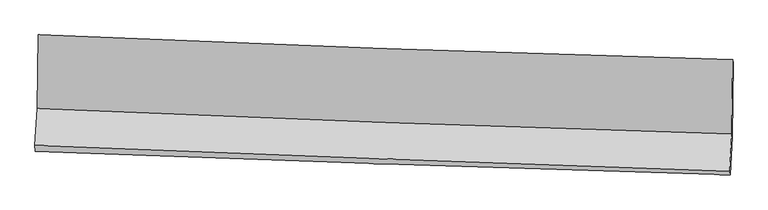
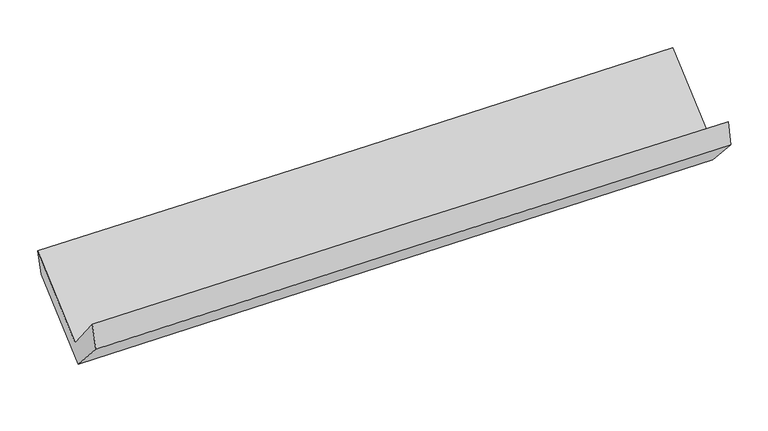
"""IFC4 building model written with IfcOpenShell, lengths in millimetres: proxy geometry."""

import ifcopenshell
import ifcopenshell.guid

model = None  # the IFC model being written
_history = None  # IfcOwnerHistory: only IFC2X3 demands one
_inside = {}  # id of a spatial element -> (the spatial element, [elements in it])
_under = {}  # id of a project, library or spatial element -> (it, [spatial elements below it])
_declared = {}  # id of a project -> (the project, [libraries it declares])
_typed = {}  # id of a type object -> (the type object, [elements of that type])
_made_of = {}  # id of a material, layer set ... -> (it, [elements and type objects made of it])


def new_model(schema):
    """Start an empty IFC model of exactly this schema.

    Asked for "IFC4X3", IfcOpenShell would pick the latest addendum, in which some entities
    have other attributes; the version numbers below select the first issue.
    IFC2X3 requires an IfcOwnerHistory on every rooted entity: one is made here for all.
    """
    global model, _history
    if schema == "IFC4X3":
        model = ifcopenshell.file(schema_version=(4, 3, 0, 0))
    else:
        model = ifcopenshell.file(schema=schema)
    _inside.clear()
    _under.clear()
    _declared.clear()
    _typed.clear()
    _made_of.clear()
    _history = None
    if model.schema == "IFC2X3":
        org = make("IfcOrganization", Name="unknown")
        user = make(
            "IfcPersonAndOrganization",
            ThePerson=make("IfcPerson", FamilyName="unknown"),
            TheOrganization=org,
        )
        app = make(
            "IfcApplication",
            ApplicationDeveloper=org,
            Version="unknown",
            ApplicationFullName="unknown",
            ApplicationIdentifier="unknown",
        )
        _history = make(
            "IfcOwnerHistory",
            OwningUser=user,
            OwningApplication=app,
            ChangeAction="ADDED",
            CreationDate=0,
        )
    return model


def make(cls, **values):
    """One entity of the class cls with the attributes given. An attribute that is None is left unset."""
    return model.create_entity(
        cls, **{name: value for name, value in values.items() if value is not None}
    )


def rooted(cls, **values):
    """An entity with a GlobalId (a new one), such as an element, a storey or a relation."""
    return make(cls, GlobalId=ifcopenshell.guid.new(), OwnerHistory=_history, **values)


def si_unit(unit_type, name, prefix=None):
    """IfcSIUnit, for example si_unit("LENGTHUNIT", "METRE", prefix="MILLI")."""
    return make("IfcSIUnit", UnitType=unit_type, Prefix=prefix, Name=name)


def assignment(units):
    """IfcUnitAssignment: the units of a project."""
    return None if units is None else make("IfcUnitAssignment", Units=units)


def point(xyz):
    """IfcCartesianPoint."""
    return None if xyz is None else make("IfcCartesianPoint", Coordinates=xyz)


def direction(xyz):
    """IfcDirection."""
    return None if xyz is None else make("IfcDirection", DirectionRatios=xyz)


def frame(location, z_axis=None, x_axis=None):
    """IfcAxis2Placement3D, a coordinate frame: its origin and axes. An axis left out is left unset."""
    return make(
        "IfcAxis2Placement3D",
        Location=point(location),
        Axis=direction(z_axis),
        RefDirection=direction(x_axis),
    )


def origin():
    """The frame at (0, 0, 0) with its axes left unset."""
    return frame((0.0, 0.0, 0.0))


def place(relative_to, where):
    """IfcLocalPlacement: puts the frame where relative to a parent placement (None: the world)."""
    return make(
        "IfcLocalPlacement", PlacementRelTo=relative_to, RelativePlacement=where
    )


def context(
    kind, dimensions, precision=None, world=None, true_north=None, identifier=None
):
    """IfcGeometricRepresentationContext, for example the 3D "Model" context."""
    return make(
        "IfcGeometricRepresentationContext",
        ContextIdentifier=identifier,
        ContextType=kind,
        CoordinateSpaceDimension=dimensions,
        Precision=precision,
        WorldCoordinateSystem=world,
        TrueNorth=true_north,
    )


def project(units=None, contexts=None):
    """IfcProject with its units and contexts."""
    return rooted(
        "IfcProject",
        Name="project",
        RepresentationContexts=contexts,
        UnitsInContext=assignment(units),
    )


def spatial(cls, under=None, at=None, **own):
    """A site, building, storey or space (cls), placed at a placement, below another one or the project."""
    s = rooted(cls, ObjectPlacement=at, **own)
    if under is not None:
        _under.setdefault(under.id(), (under, []))[1].append(s)
    return s


def shape(context_of_items, identifier, shape_type, items):
    """IfcShapeRepresentation: the items that make up one representation, for example the "Body"."""
    return make(
        "IfcShapeRepresentation",
        ContextOfItems=context_of_items,
        RepresentationIdentifier=identifier,
        RepresentationType=shape_type,
        Items=items,
    )


def source(mapping_origin, context_of_items, identifier, shape_type, items):
    """IfcRepresentationMap: a shape defined once, which mapped items show again and again."""
    return make(
        "IfcRepresentationMap",
        MappingOrigin=mapping_origin,
        MappedRepresentation=shape(context_of_items, identifier, shape_type, items),
    )


def transform(
    local_origin,
    x_axis=None,
    y_axis=None,
    z_axis=None,
    scale=None,
    scale2=None,
    scale3=None,
    uniform=True,
):
    """IfcCartesianTransformationOperator3D, or its non-uniform kind. x_axis, y_axis, z_axis: its Axis1, 2, 3."""
    if uniform:
        return make(
            "IfcCartesianTransformationOperator3D",
            Axis1=direction(x_axis),
            Axis2=direction(y_axis),
            LocalOrigin=point(local_origin),
            Scale=scale,
            Axis3=direction(z_axis),
        )
    return make(
        "IfcCartesianTransformationOperator3DnonUniform",
        Axis1=direction(x_axis),
        Axis2=direction(y_axis),
        LocalOrigin=point(local_origin),
        Scale=scale,
        Axis3=direction(z_axis),
        Scale2=scale2,
        Scale3=scale3,
    )


def mapped(mapping_source, mapping_target):
    """IfcMappedItem: shows the shape of a source again, moved by a transform."""
    return make(
        "IfcMappedItem", MappingSource=mapping_source, MappingTarget=mapping_target
    )


def made_of(thing, what):
    """Note that an element or type object is made of a material, layer set ...; save() writes the relation."""
    if what is not None:
        _made_of.setdefault(what.id(), (what, []))[1].append(thing)
    return thing


def element(
    cls,
    number,
    at=None,
    inside=None,
    cuts=None,
    type_object=None,
    material=None,
    context=None,
    identifier="Body",
    shape_type=None,
    held_by="IfcProductDefinitionShape",
    body=None,
    shapes=None,
    **own,
):
    """One element of the class cls, such as IfcWall. Its Tag is "e" and its number.

    at: its placement. inside: the storey or other place that contains it. cuts: it is an
    opening in that element (IfcRelVoidsElement). A single representation is given by context,
    identifier, shape_type and body (its items); several are given by shapes. held_by: the class
    of the entity that holds the representations. save() writes the other relations.
    """
    e = rooted(cls, Tag="e%d" % number, ObjectPlacement=at, **own)
    if body is not None:
        shapes = [shape(context, identifier, shape_type, body)]
    if shapes is not None:
        e.Representation = make(held_by, Representations=shapes)
    if inside is not None:
        _inside.setdefault(inside.id(), (inside, []))[1].append(e)
    if cuts is not None:
        rooted(
            "IfcRelVoidsElement", RelatingBuildingElement=cuts, RelatedOpeningElement=e
        )
    if type_object is not None:
        _typed.setdefault(type_object.id(), (type_object, []))[1].append(e)
    return made_of(e, material)


def aggregate(whole, parts):
    """IfcRelAggregates: a whole, such as a stair, and the parts it consists of."""
    return rooted("IfcRelAggregates", RelatingObject=whole, RelatedObjects=parts)


def save(model, path):
    """Write the relations noted so far, then the file.

    IfcRelAggregates (storeys below a building ...), IfcRelContainedInSpatialStructure (elements
    in a storey), IfcRelDefinesByType, IfcRelAssociatesMaterial and IfcRelDeclares: one each for
    every whole, place, type object, material and project.
    """
    for whole, parts in _under.values():
        aggregate(whole, parts)
    for where, things in _inside.values():
        rooted(
            "IfcRelContainedInSpatialStructure",
            RelatedElements=things,
            RelatingStructure=where,
        )
    for kind, things in _typed.values():
        rooted("IfcRelDefinesByType", RelatedObjects=things, RelatingType=kind)
    for what, things in _made_of.values():
        rooted("IfcRelAssociatesMaterial", RelatedObjects=things, RelatingMaterial=what)
    for by, libraries in _declared.values():
        rooted("IfcRelDeclares", RelatingContext=by, RelatedDefinitions=libraries)
    model.write(path)


def plane_surface(at):
    """IfcPlane: the flat surface through the origin of the frame at, square to its z axis."""
    return make("IfcPlane", Position=at)


def spline_curve(degree, points, multiplicities, knots, weights=None):
    """IfcBSplineCurveWithKnots; with weights, IfcRationalBSplineCurveWithKnots."""
    own = dict(
        Degree=degree,
        ControlPointsList=[point(p) for p in points],
        CurveForm="UNSPECIFIED",
        ClosedCurve=False,
        SelfIntersect=False,
        KnotMultiplicities=multiplicities,
        Knots=knots,
        KnotSpec="UNSPECIFIED",
    )
    if weights is None:
        return make("IfcBSplineCurveWithKnots", **own)
    return make("IfcRationalBSplineCurveWithKnots", WeightsData=weights, **own)


def spline_surface(u_degree, v_degree, points, u_multiplicities, v_multiplicities, u_knots, v_knots, weights=None):
    """IfcBSplineSurfaceWithKnots; with weights, IfcRationalBSplineSurfaceWithKnots. points: one row for each step in u."""
    own = dict(
        UDegree=u_degree,
        VDegree=v_degree,
        ControlPointsList=[[point(p) for p in row] for row in points],
        SurfaceForm="UNSPECIFIED",
        UClosed=False,
        VClosed=False,
        SelfIntersect=False,
        UMultiplicities=u_multiplicities,
        VMultiplicities=v_multiplicities,
        UKnots=u_knots,
        VKnots=v_knots,
        KnotSpec="UNSPECIFIED",
    )
    if weights is None:
        return make("IfcBSplineSurfaceWithKnots", **own)
    return make("IfcRationalBSplineSurfaceWithKnots", WeightsData=weights, **own)


def advanced_brep(points, edges, surfaces, faces):
    """IfcAdvancedBrep: a solid bounded by faces that lie on surfaces and meet in shared edges.

    An edge is (start, end): straight between two places in points (the first is 0);
    or (start, end, curve); or (start, end, curve, False) where it runs against its curve.
    A face is (place in surfaces, loops), or (place, loops, False) where it looks against
    its surface's normal. A loop lists edges by number (the first is 1), with a minus sign
    where the edge is run from its end to its start. The first loop is the outer one.
    """
    corners = [point(p) for p in points]
    vertices = [make("IfcVertexPoint", VertexGeometry=c) for c in corners]
    made = []
    for start, end, *more in edges:
        made.append(
            make(
                "IfcEdgeCurve",
                EdgeStart=vertices[start],
                EdgeEnd=vertices[end],
                EdgeGeometry=more[0] if more else make("IfcPolyline", Points=[corners[start], corners[end]]),
                SameSense=more[1] if len(more) > 1 else True,
            )
        )
    hull = []
    for where, loops, *sense in faces:
        bounds = []
        for j, loop in enumerate(loops):
            ring = [make("IfcOrientedEdge", EdgeElement=made[abs(k) - 1], Orientation=k > 0) for k in loop]
            bounds.append(
                make(
                    "IfcFaceOuterBound" if j == 0 else "IfcFaceBound",
                    Bound=make("IfcEdgeLoop", EdgeList=ring),
                    Orientation=True,
                )
            )
        hull.append(make("IfcAdvancedFace", Bounds=bounds, FaceSurface=surfaces[where], SameSense=sense[0] if sense else True))
    return make("IfcAdvancedBrep", Outer=make("IfcClosedShell", CfsFaces=hull))


def generic_models_58768607(model_context):
    return source(origin(), model_context, "Body", "AdvancedBrep", [
        advanced_brep(
        [(-2381.7971527, -1124.075235, 2193.0231515), (-2387.96921, -1629.4580358, 1757.9076518), (2377.1235037, -1805.2162277, 1837.3993766), (2381.7975035, -1294.4649734, 2270.5567904), (-2403.1913248, -1885.3127118, 2068.7910627), (2361.8170745, -2063.9109047, 2147.3387575), (-2400.4349658, -1927.0142058, 1889.5025506), (2365.3680852, -2086.8401885, 1974.0380034), (-2385.8849403, -1670.8863403, 1608.5103553), (2380.1497745, -1826.1345312, 1688.0239044), (-2379.2645114, -1164.0727132, 2025.9382681), (2385.0949356, -1319.0828323, 2105.5656596)],
        [
            (0, 1),
            (1, 2, spline_curve(3, [(-2387.96921, -1629.4580358, 1757.9076518), (-1594.050015983, -1664.498653045, 1774.296017501), (-800.003654053, -1696.665350176, 1789.114456405), (788.360578307, -1755.251538616, 1815.611765865), (1582.678454121, -1781.670905157, 1827.290568784), (2377.1235037, -1805.2162277, 1837.3993766)], [4, 2, 4], [0.0, 7.8217210959801005, 15.64361131944911])),
            (2, 3),
            (3, 0, spline_curve(3, [(2381.7975035, -1294.4649734, 2270.5567904), (1587.657777495, -1271.45509392, 2258.936961563), (793.61740242, -1245.750826686, 2246.665833788), (-794.247478566, -1188.95413076, 2220.821259225), (-1588.07198899, -1157.861818384, 2207.247840903), (-2381.7971527, -1124.075235, 2193.0231515)], [4, 2, 4], [0.0, 7.82189022346901, 15.64361131944911])),
            (1, 4),
            (4, 5, spline_curve(3, [(-2403.1913248, -1885.3127118, 2068.7910627), (-1609.119781775, -1915.699323462, 2084.624116339), (-815.004270529, -1945.775654509, 2099.086228372), (773.331860879, -2005.308398716, 2125.268852696), (1567.552482651, -2034.764798873, 2136.98930556), (2361.8170745, -2063.9109047, 2147.3387575)], [4, 2, 4], [0.0, 7.823109375317783, 15.646387908142959])),
            (5, 2),
            (4, 6),
            (6, 7, spline_curve(3, [(-2400.4349658, -1927.0142058, 1889.5025506), (-1606.276802021, -1956.456731598, 1905.74727915), (-812.051760422, -1984.49669743, 1920.914200049), (776.549253835, -2037.772085745, 1949.092730997), (1570.925228962, -2063.0074474, 1962.104294292), (2365.3680852, -2086.8401885, 1974.0380034)], [4, 2, 4], [0.0, 7.823265953588302, 15.646701068069657])),
            (7, 5),
            (6, 8),
            (8, 9, spline_curve(3, [(-2385.8849403, -1670.8863403, 1608.5103553), (-1591.64718932, -1698.845344052, 1623.127601779), (-797.363048433, -1725.762066621, 1637.062289926), (791.31518768, -1777.511508657, 1663.566835622), (1585.709285275, -1802.344183106, 1676.136663909), (2380.1497745, -1826.1345312, 1688.0239044)], [4, 2, 4], [0.0, 7.823464859977496, 15.647098885148957])),
            (9, 7),
            (8, 10),
            (10, 11, spline_curve(3, [(-2379.2645114, -1164.0727132, 2025.9382681), (-1585.305518383, -1191.9610935, 2040.599988058), (-791.300360995, -1218.822665043, 2054.566399518), (796.819452606, -1270.492749177, 2081.108893641), (1590.934110933, -1295.301217457, 2093.68494575), (2385.0949356, -1319.0828323, 2105.5656596)], [4, 2, 4], [0.0, 7.822081203027796, 15.644331541331024])),
            (11, 9),
            (10, 0),
            (3, 11),
        ],
        [
            spline_surface(3, 3, [[(-2381.7971527, -1124.075235, 2193.0231515), (-1588.071989044, -1157.861818464, 2207.247840858), (-794.247478618, -1188.954130744, 2220.821259287), (793.617402473, -1245.750826701, 2246.665833726), (1587.657777472, -1271.455093941, 2258.936961649), (2381.7975035, -1294.4649734, 2270.5567904)], [(-2383.854505143, -1292.536168593, 2047.984651602), (-1590.064664743, -1326.740763296, 2062.930566452), (-796.166203784, -1358.19120394, 2076.918991625), (791.865127746, -1415.584397322, 2102.981144415), (1585.998003055, -1441.527031035, 2115.0548307), (2380.23950358, -1464.715391502, 2126.170985825)], [(-2385.911857557, -1460.997102207, 1902.946151698), (-1592.057340412, -1495.61970815, 1918.613292038), (-798.084928913, -1527.428277083, 1933.016724052), (790.112853058, -1585.417967892, 1959.296455191), (1584.338228597, -1611.598968124, 1971.172699677), (2378.68150362, -1634.965809598, 1981.785181175)], [(-2387.96921, -1629.4580358, 1757.9076518), (-1594.050016111, -1664.498652981, 1774.296017632), (-800.003654079, -1696.665350279, 1789.11445639), (788.360578332, -1755.251538513, 1815.61176588), (1582.678454179, -1781.670905218, 1827.290568728), (2377.1235037, -1805.2162277, 1837.3993766)]], [4, 4], [4, 2, 4], [0.0, 2.1880999437131625], [0.0, 7.8217210959801005, 15.64361131944911]),
            spline_surface(3, 3, [[(-2387.96921, -1629.4580358, 1757.9076518), (-1594.050016111, -1664.498652981, 1774.296017632), (-800.003654079, -1696.665350279, 1789.11445639), (788.360578332, -1755.251538513, 1815.61176588), (1582.678454179, -1781.670905218, 1827.290568728), (2377.1235037, -1805.2162277, 1837.3993766)], [(-2393.043248275, -1714.742927801, 1861.535455412), (-1599.07327132, -1748.232209801, 1877.738717177), (-805.003859498, -1779.702118333, 1892.438380413), (783.351005846, -1838.603825284, 1918.830794813), (1577.636463635, -1866.035536425, 1930.523480963), (2372.021360624, -1891.447786717, 1940.712503548)], [(-2398.117286525, -1800.027819799, 1965.163259088), (-1604.096526506, -1831.965766616, 1981.181416787), (-810.004065011, -1862.738886366, 1995.7623044), (778.341433265, -1921.956112033, 2022.049823711), (1572.594473117, -1950.400167582, 2033.756393252), (2366.919217576, -1977.679345683, 2044.025630552)], [(-2403.1913248, -1885.3127118, 2068.7910627), (-1609.119781716, -1915.699323436, 2084.624116332), (-815.004270429, -1945.775654421, 2099.086228423), (773.331860779, -2005.308398804, 2125.268852644), (1567.552482573, -2034.764798789, 2136.989305487), (2361.8170745, -2063.9109047, 2147.3387575)]], [4, 4], [4, 2, 4], [0.0, 1.3061797387787943], [0.0, 7.823109375317783, 15.646387908142959]),
            spline_surface(3, 3, [[(-2403.1913248, -1885.3127118, 2068.7910627), (-1609.119781716, -1915.699323436, 2084.624116332), (-815.004270429, -1945.775654421, 2099.086228423), (773.331860779, -2005.308398804, 2125.268852644), (1567.552482573, -2034.764798789, 2136.989305487), (2361.8170745, -2063.9109047, 2147.3387575)], [(-2402.272538467, -1899.213209791, 2009.028225335), (-1608.172121826, -1929.285126133, 2024.998503956), (-814.020100423, -1958.682668764, 2039.695552299), (774.404325091, -2016.129627764, 2066.543478738), (1568.676731404, -2044.179014976, 2078.694301773), (2363.00074474, -2071.553999306, 2089.571839467)], [(-2401.353752133, -1913.113707809, 1949.265387965), (-1607.224461935, -1942.870928858, 1965.372891576), (-813.035930362, -1971.589683128, 1980.30487621), (775.476789457, -2026.950856745, 2007.818104867), (1569.800980214, -2053.593231145, 2020.39929806), (2364.18441496, -2079.197093894, 2031.804921433)], [(-2400.4349658, -1927.0142058, 1889.5025506), (-1606.276802045, -1956.456731555, 1905.7472792), (-812.051760356, -1984.49669747, 1920.914200085), (776.549253769, -2037.772085705, 1949.092730961), (1570.925229046, -2063.007447331, 1962.104294347), (2365.3680852, -2086.8401885, 1974.0380034)]], [4, 4], [4, 2, 4], [0.0, 0.5929792403531828], [0.0, 7.823265953588302, 15.646701068069657]),
            spline_surface(3, 3, [[(-2400.4349658, -1927.0142058, 1889.5025506), (-1606.276802045, -1956.456731555, 1905.7472792), (-812.051760356, -1984.49669747, 1920.914200085), (776.549253769, -2037.772085705, 1949.092730961), (1570.925229046, -2063.007447331, 1962.104294347), (2365.3680852, -2086.8401885, 1974.0380034)], [(-2395.584957294, -1841.638250639, 1795.83848552), (-1601.400264422, -1870.586269076, 1811.540720062), (-807.155523064, -1898.251820522, 1826.296896675), (781.471231776, -1951.018560021, 1853.91743255), (1575.853247805, -1976.119692574, 1866.781750904), (2370.295314967, -1999.938302713, 1878.699970409)], [(-2390.734948806, -1756.262295461, 1702.17442038), (-1596.523726816, -1784.715806579, 1717.334160864), (-802.259285803, -1812.006943573, 1731.679593248), (786.393209753, -1864.265034336, 1758.742134121), (1580.781266564, -1889.231937879, 1771.459207432), (2375.222544733, -1913.036416987, 1783.361937391)], [(-2385.8849403, -1670.8863403, 1608.5103553), (-1591.647189193, -1698.8453441, 1623.127601726), (-797.363048512, -1725.762066625, 1637.062289838), (791.31518776, -1777.511508653, 1663.56683571), (1585.709285323, -1802.344183121, 1676.136663989), (2380.1497745, -1826.1345312, 1688.0239044)]], [4, 4], [4, 2, 4], [0.0, 1.264735867506797], [0.0, 7.823464859977496, 15.647098885148957]),
            spline_surface(3, 3, [[(-2385.8849403, -1670.8863403, 1608.5103553), (-1591.647189193, -1698.8453441, 1623.127601726), (-797.363048512, -1725.762066625, 1637.062289838), (791.31518776, -1777.511508653, 1663.56683571), (1585.709285323, -1802.344183121, 1676.136663989), (2380.1497745, -1826.1345312, 1688.0239044)], [(-2383.678130656, -1501.948464592, 1747.652992881), (-1589.533298955, -1529.883927238, 1762.285063785), (-795.342152693, -1556.782266099, 1776.23032644), (793.149942704, -1608.505255491, 1802.747521663), (1587.450893807, -1633.329861212, 1815.319424566), (2381.798161509, -1657.117298255, 1827.20448948)], [(-2381.471321044, -1333.010588908, 1886.795630519), (-1587.419408749, -1360.922510399, 1901.442525903), (-793.321256837, -1387.802465575, 1915.398363015), (794.984697684, -1439.499002332, 1941.928207588), (1589.192502365, -1464.315539237, 1954.502185101), (2383.446548591, -1488.100065245, 1966.38507452)], [(-2379.2645114, -1164.0727132, 2025.9382681), (-1585.305518511, -1191.961093538, 2040.599987962), (-791.300361018, -1218.82266505, 2054.566399618), (796.819452629, -1270.49274917, 2081.108893541), (1590.934110849, -1295.301217328, 2093.684945677), (2385.0949356, -1319.0828323, 2105.5656596)]], [4, 4], [4, 2, 4], [0.0, 2.1548569502049753], [0.0, 7.822081203027796, 15.644331541331024]),
            spline_surface(3, 3, [[(-2379.2645114, -1164.0727132, 2025.9382681), (-1585.305518511, -1191.961093538, 2040.599987962), (-791.300361018, -1218.82266505, 2054.566399618), (796.819452629, -1270.49274917, 2081.108893541), (1590.934110849, -1295.301217328, 2093.684945677), (2385.0949356, -1319.0828323, 2105.5656596)], [(-2380.108725165, -1150.740220484, 2081.633229251), (-1586.227675354, -1180.594668531, 2096.149272278), (-792.28273355, -1208.866486931, 2109.984686188), (795.752102578, -1262.245441663, 2136.294540283), (1589.841999736, -1287.352509507, 2148.768950972), (2383.995791579, -1310.876879308, 2160.562703171)], [(-2380.952938935, -1137.407727716, 2137.328190349), (-1587.149832201, -1169.228243472, 2151.698556542), (-793.265106086, -1198.910308863, 2165.402972716), (794.684752523, -1253.998134208, 2191.480186983), (1588.749888586, -1279.403801762, 2203.852956355), (2382.896647521, -1302.670926392, 2215.559746829)], [(-2381.7971527, -1124.075235, 2193.0231515), (-1588.071989044, -1157.861818464, 2207.247840858), (-794.247478618, -1188.954130744, 2220.821259287), (793.617402473, -1245.750826701, 2246.665833726), (1587.657777472, -1271.455093941, 2258.936961649), (2381.7975035, -1294.4649734, 2270.5567904)]], [4, 4], [4, 2, 4], [0.0, 0.5517255963514442], [0.0, 7.820485682588318, 15.641140465952454]),
            plane_surface(frame((2375.2251462, -1732.6082763, 2003.8204153), z_axis=(0.9992556163730495, -0.029859492891411474, 0.024425884450416525), x_axis=(0.007528468658432904, 0.7719309446041782, 0.635661811753829))),
            plane_surface(frame((-2389.7570175, -1566.803207, 1923.9455067), z_axis=(-0.9992352212102702, 0.0317970083089474, -0.02275792071924258), x_axis=(0.014739720298614112, -0.23278134231325098, -0.972417393569428))),
        ],
        [
            (0, [[1, 2, 3, 4]]),
            (1, [[5, 6, 7, -2]]),
            (2, [[8, 9, 10, -6]]),
            (3, [[11, 12, 13, -9]]),
            (4, [[14, 15, 16, -12]]),
            (5, [[17, -4, 18, -15]]),
            (6, [[-16, -18, -3, -7, -10, -13]]),
            (7, [[-17, -14, -11, -8, -5, -1]]),
        ],
    ),
    ])


if __name__ == "__main__":
    model = new_model("IFC4")
    model_context = context("Model", 3, world=origin())
    ifc_project = project(units=[si_unit("LENGTHUNIT", "METRE", prefix="MILLI")], contexts=[model_context])
    site = spatial("IfcSite", under=ifc_project)
    building = spatial("IfcBuilding", under=site)
    placement = place(None, origin())
    generic_models_shape = generic_models_58768607(model_context)
    element("IfcBuildingElementProxy", 1, Name="Generic Models", at=placement, inside=building, context=model_context, shape_type="MappedRepresentation", body=[
        mapped(generic_models_shape, transform((0.0, 0.0, 0.0), x_axis=(1.0, 0.0, 0.0), y_axis=(0.0, 1.0, 0.0), z_axis=(0.0, 0.0, 1.0))),
    ])
    save(model, "model.ifc")
